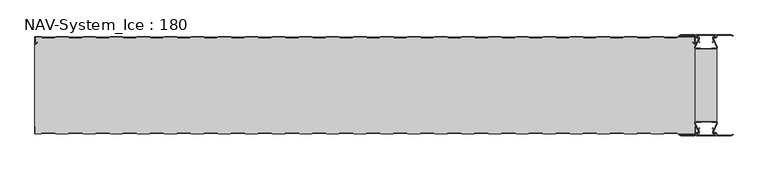
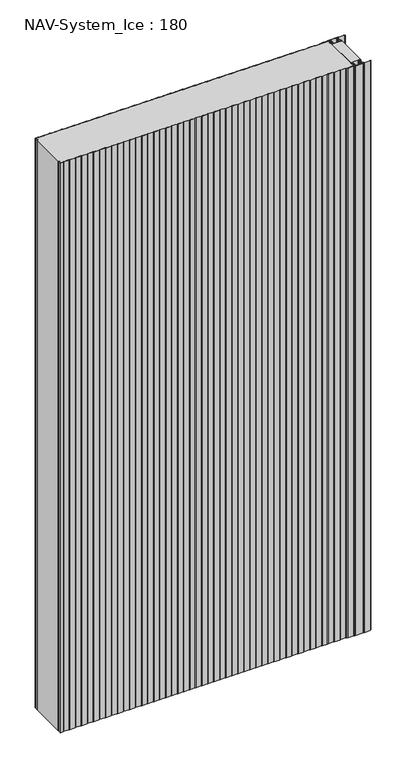
"""IFC4 building model written with IfcOpenShell, lengths in millimetres: plate geometry, NAV-System_Ice : 180."""

from ifc_helpers import new_model, si_unit, point, frame_2d, origin, origin_with_axes, place, context, project, spatial, polyline, circle_curve, trimmed, segment, composite_curve, outline, extrude, source, transform, mapped, element, save


def nav_system_ice_180_9da69aee(model_context):
    return source(origin(), model_context, "Body", "SweptSolid", [
        extrude(outline(polyline([(630.0, -156.9693935), (590.0, -156.9693935), (590.0, -23.0306065), (630.0, -23.0306065), (630.0, -156.9693935)])), origin_with_axes(), (0.0, 0.0, 1.0), 2500.0),
        extrude(outline(composite_curve([segment(trimmed(circle_curve(frame_2d((599.1138734, -171.8417863)), 3.357884), [point((596.1169606, -173.3563483))], [point((597.7243711, -168.7848813))], False, "CARTESIAN"), True, "CONTINUOUS"), segment(polyline([(597.7243711, -168.7848813), (598.0554135, -169.5131744)]), True, "CONTINUOUS"), segment(trimmed(circle_curve(frame_2d((599.1138734, -171.8417863)), 2.557884), [point((598.0554135, -169.5131744))], [point((596.8448746, -173.0226397))], True, "CARTESIAN"), True, "CONTINUOUS"), segment(polyline([(596.8448746, -173.0226397), (597.7376807, -175.2182139)]), True, "CONTINUOUS"), segment(trimmed(circle_curve(frame_2d((593.7962884, -176.3456266)), 4.0994674), [point((597.7376807, -175.2182139))], [point((593.7866434, -180.4450826))], False, "CARTESIAN"), True, "CONTINUOUS"), segment(polyline([(593.7866434, -180.4450826), (592.2194901, -180.4092333)]), True, "CONTINUOUS"), segment(trimmed(circle_curve(frame_2d((592.2592624, -181.3027113)), 0.8943628), [point((592.2194901, -180.4092333))], [point((592.2592624, -182.1970741))], True, "CARTESIAN"), True, "CONTINUOUS"), segment(polyline([(592.2592624, -182.1970741), (627.7407376, -182.1970741)]), True, "CONTINUOUS"), segment(trimmed(circle_curve(frame_2d((627.7407376, -181.3027113)), 0.8943628), [point((627.7407376, -182.1970741))], [point((627.7805099, -180.4092333))], True, "CARTESIAN"), True, "CONTINUOUS"), segment(polyline([(627.7805099, -180.4092333), (626.2133566, -180.4450826)]), True, "CONTINUOUS"), segment(trimmed(circle_curve(frame_2d((626.2037116, -176.3456266)), 4.0994674), [point((626.2133566, -180.4450826))], [point((622.2623193, -175.2182139))], False, "CARTESIAN"), True, "CONTINUOUS"), segment(polyline([(622.2623193, -175.2182139), (623.1551254, -173.0226397)]), True, "CONTINUOUS"), segment(trimmed(circle_curve(frame_2d((620.8861266, -171.8417863)), 2.557884), [point((623.1551254, -173.0226397))], [point((621.9445865, -169.5131744))], True, "CARTESIAN"), True, "CONTINUOUS"), segment(polyline([(621.9445865, -169.5131744), (622.2756289, -168.7848813)]), True, "CONTINUOUS"), segment(trimmed(circle_curve(frame_2d((620.8861266, -171.8417863)), 3.357884), [point((622.2756289, -168.7848813))], [point((623.8830394, -173.3563483))], False, "CARTESIAN"), True, "CONTINUOUS"), segment(polyline([(623.8830394, -173.3563483), (623.0205049, -175.4774793)]), True, "CONTINUOUS"), segment(trimmed(circle_curve(frame_2d((626.2037116, -176.3456266)), 3.2994674), [point((623.0205049, -175.4774793))], [point((626.2037116, -179.645094))], True, "CARTESIAN"), True, "CONTINUOUS"), segment(polyline([(626.2037116, -179.645094), (627.7848884, -179.6089239)]), True, "CONTINUOUS"), segment(trimmed(circle_curve(frame_2d((627.7407376, -181.3027113)), 1.6943628), [point((627.7848884, -179.6089239))], [point((627.7407423, -182.9970741))], False, "CARTESIAN"), True, "CONTINUOUS"), segment(polyline([(627.7407423, -182.9970741), (592.2592577, -182.9970741)]), True, "CONTINUOUS"), segment(trimmed(circle_curve(frame_2d((592.2592624, -181.3027113)), 1.6943628), [point((592.2592577, -182.9970741))], [point((592.2151116, -179.6089239))], False, "CARTESIAN"), True, "CONTINUOUS"), segment(polyline([(592.2151116, -179.6089239), (593.7962884, -179.645094)]), True, "CONTINUOUS"), segment(trimmed(circle_curve(frame_2d((593.7962884, -176.3456266)), 3.2994674), [point((593.7962884, -179.645094))], [point((596.9794951, -175.4774793))], True, "CARTESIAN"), True, "CONTINUOUS"), segment(polyline([(596.9794951, -175.4774793), (596.1169606, -173.3563483)]), True, "CONTINUOUS")], self_intersect=False)), origin_with_axes(), (0.0, 0.0, 1.0), 2500.0),
        extrude(outline(composite_curve([segment(polyline([(596.1169606, -6.6436517), (596.9794951, -4.5225207)]), True, "CONTINUOUS"), segment(trimmed(circle_curve(frame_2d((593.7962884, -3.6543734)), 3.2994674), [point((596.9794951, -4.5225207))], [point((593.7962884, -0.354906))], True, "CARTESIAN"), True, "CONTINUOUS"), segment(polyline([(593.7962884, -0.354906), (592.2151116, -0.3910761)]), True, "CONTINUOUS"), segment(trimmed(circle_curve(frame_2d((592.2592624, 1.3027113)), 1.6943628), [point((592.2151116, -0.3910761))], [point((592.2592577, 2.9970741))], False, "CARTESIAN"), True, "CONTINUOUS"), segment(polyline([(592.2592577, 2.9970741), (627.7407423, 2.9970741)]), True, "CONTINUOUS"), segment(trimmed(circle_curve(frame_2d((627.7407376, 1.3027113)), 1.6943628), [point((627.7407423, 2.9970741))], [point((627.7848884, -0.3910761))], False, "CARTESIAN"), True, "CONTINUOUS"), segment(polyline([(627.7848884, -0.3910761), (626.2037116, -0.354906)]), True, "CONTINUOUS"), segment(trimmed(circle_curve(frame_2d((626.2037116, -3.6543734)), 3.2994674), [point((626.2037116, -0.354906))], [point((623.0205049, -4.5225207))], True, "CARTESIAN"), True, "CONTINUOUS"), segment(polyline([(623.0205049, -4.5225207), (623.8830394, -6.6436517)]), True, "CONTINUOUS"), segment(trimmed(circle_curve(frame_2d((620.8861266, -8.1582137)), 3.357884), [point((623.8830394, -6.6436517))], [point((622.2756289, -11.2151187))], False, "CARTESIAN"), True, "CONTINUOUS"), segment(polyline([(622.2756289, -11.2151187), (621.9445865, -10.4868256)]), True, "CONTINUOUS"), segment(trimmed(circle_curve(frame_2d((620.8861266, -8.1582137)), 2.557884), [point((621.9445865, -10.4868256))], [point((623.1551254, -6.9773603))], True, "CARTESIAN"), True, "CONTINUOUS"), segment(polyline([(623.1551254, -6.9773603), (622.2623193, -4.7817861)]), True, "CONTINUOUS"), segment(trimmed(circle_curve(frame_2d((626.2037116, -3.6543734)), 4.0994674), [point((622.2623193, -4.7817861))], [point((626.2133566, 0.4450826))], False, "CARTESIAN"), True, "CONTINUOUS"), segment(polyline([(626.2133566, 0.4450826), (627.7805099, 0.4092333)]), True, "CONTINUOUS"), segment(trimmed(circle_curve(frame_2d((627.7407376, 1.3027113)), 0.8943628), [point((627.7805099, 0.4092333))], [point((627.7407376, 2.1970741))], True, "CARTESIAN"), True, "CONTINUOUS"), segment(polyline([(627.7407376, 2.1970741), (592.2592624, 2.1970741)]), True, "CONTINUOUS"), segment(trimmed(circle_curve(frame_2d((592.2592624, 1.3027113)), 0.8943628), [point((592.2592624, 2.1970741))], [point((592.2194901, 0.4092333))], True, "CARTESIAN"), True, "CONTINUOUS"), segment(polyline([(592.2194901, 0.4092333), (593.7866434, 0.4450826)]), True, "CONTINUOUS"), segment(trimmed(circle_curve(frame_2d((593.7962884, -3.6543734)), 4.0994674), [point((593.7866434, 0.4450826))], [point((597.7376807, -4.7817861))], False, "CARTESIAN"), True, "CONTINUOUS"), segment(polyline([(597.7376807, -4.7817861), (596.8448746, -6.9773603)]), True, "CONTINUOUS"), segment(trimmed(circle_curve(frame_2d((599.1138734, -8.1582137)), 2.557884), [point((596.8448746, -6.9773603))], [point((598.0554135, -10.4868256))], True, "CARTESIAN"), True, "CONTINUOUS"), segment(polyline([(598.0554135, -10.4868256), (597.7243711, -11.2151187)]), True, "CONTINUOUS"), segment(trimmed(circle_curve(frame_2d((599.1138734, -8.1582137)), 3.357884), [point((597.7243711, -11.2151187))], [point((596.1169606, -6.6436517))], False, "CARTESIAN"), True, "CONTINUOUS")], self_intersect=False)), origin_with_axes(), (0.0, 0.0, 1.0), 2500.0),
        extrude(outline(composite_curve([segment(trimmed(circle_curve(frame_2d((591.9446371, -159.7746821)), 1.80576), [point((591.9446371, -157.9689221))], [point((590.2170288, -160.300171))], True, "CARTESIAN"), True, "CONTINUOUS"), segment(polyline([(590.2170288, -160.300171), (596.4690067, -174.9459892)]), True, "CONTINUOUS"), segment(trimmed(circle_curve(frame_2d((593.7254406, -175.9868127)), 2.93436), [point((596.4690067, -174.9459892))], [point((593.7254406, -178.9211727))], False, "CARTESIAN"), True, "CONTINUOUS"), segment(polyline([(593.7254406, -178.9211727), (592.1347887, -178.9211727)]), True, "CONTINUOUS"), segment(trimmed(circle_curve(frame_2d((592.1347887, -180.5012127)), 1.58004), [point((592.1347887, -178.9211727))], [point((590.931072, -179.4776931))], True, "CARTESIAN"), True, "CONTINUOUS"), segment(polyline([(590.931072, -179.4776931), (589.0191946, -183.0112573), (562.9417977, -183.0112573), (560.0, -181.2043676), (560.523373, -180.3522639), (563.2243806, -182.0112573), (588.4232658, -182.0112573), (590.0952671, -178.9210361)]), True, "CONTINUOUS"), segment(trimmed(circle_curve(frame_2d((592.1347887, -180.5012127)), 2.58004), [point((590.0952671, -178.9210361))], [point((592.1347887, -177.9211727))], False, "CARTESIAN"), True, "CONTINUOUS"), segment(polyline([(592.1347887, -177.9211727), (593.7254406, -177.9211727)]), True, "CONTINUOUS"), segment(trimmed(circle_curve(frame_2d((593.7254406, -175.9868127)), 1.93436), [point((593.7254406, -177.9211727))], [point((595.5404425, -175.3178459))], True, "CARTESIAN"), True, "CONTINUOUS"), segment(polyline([(595.5404425, -175.3178459), (589.2784311, -160.6484726)]), True, "CONTINUOUS"), segment(trimmed(circle_curve(frame_2d((591.9446225, -159.7747413)), 2.8057055), [point((589.2784311, -160.6484726))], [point((591.9446225, -156.9690357))], False, "CARTESIAN"), True, "CONTINUOUS"), segment(polyline([(591.9446225, -156.9690357), (595.755568, -156.9690357)]), True, "CONTINUOUS"), segment(trimmed(circle_curve(frame_2d((595.7555679, -159.0975873)), 2.1285516), [point((595.755568, -156.9690357))], [point((597.1042828, -157.4508633))], False, "CARTESIAN"), True, "CONTINUOUS"), segment(trimmed(circle_curve(frame_2d((598.2552034, -156.0456377)), 1.8163913), [point((597.1042828, -157.4508633))], [point((599.4059468, -157.4510085))], True, "CARTESIAN"), True, "CONTINUOUS"), segment(trimmed(circle_curve(frame_2d((600.7543352, -159.0977575)), 2.128364), [point((599.4059468, -157.4510085))], [point((600.7543352, -156.9693935))], False, "CARTESIAN"), True, "CONTINUOUS"), segment(polyline([(600.7543352, -156.9693935), (619.2454674, -156.9693935)]), True, "CONTINUOUS"), segment(trimmed(circle_curve(frame_2d((619.2454674, -159.0977884)), 2.1283949), [point((619.2454674, -156.9693935))], [point((620.594293, -157.4513576))], False, "CARTESIAN"), True, "CONTINUOUS"), segment(trimmed(circle_curve(frame_2d((621.7456338, -156.0459847)), 1.8167715), [point((620.594293, -157.4513576))], [point((622.8963798, -157.4518446))], True, "CARTESIAN"), True, "CONTINUOUS"), segment(trimmed(circle_curve(frame_2d((624.244105, -159.0983528)), 2.1277576), [point((622.8963798, -157.4518446))], [point((624.244105, -156.9705952))], False, "CARTESIAN"), True, "CONTINUOUS"), segment(polyline([(624.244105, -156.9705952), (628.0535675, -156.9705952)]), True, "CONTINUOUS"), segment(trimmed(circle_curve(frame_2d((628.0535675, -159.7787791)), 2.8081839), [point((628.0535675, -156.9705952))], [point((630.7287795, -160.6326746))], False, "CARTESIAN"), True, "CONTINUOUS"), segment(polyline([(630.7287795, -160.6326746), (624.4595575, -175.3178459)]), True, "CONTINUOUS"), segment(trimmed(circle_curve(frame_2d((626.2745595, -175.9868127)), 1.93436), [point((624.4595575, -175.3178459))], [point((626.2745595, -177.9211727))], True, "CARTESIAN"), True, "CONTINUOUS"), segment(polyline([(626.2745595, -177.9211727), (627.8652113, -177.9211727)]), True, "CONTINUOUS"), segment(trimmed(circle_curve(frame_2d((627.8652113, -180.5012127)), 2.58004), [point((627.8652113, -177.9211727))], [point((629.9047329, -178.9210361))], False, "CARTESIAN"), True, "CONTINUOUS"), segment(polyline([(629.9047329, -178.9210361), (631.5767342, -182.0112573), (656.7756194, -182.0112573), (659.476627, -180.3522639), (660.0, -181.2043676), (657.0582024, -183.0112573), (630.9808054, -183.0112573), (629.068928, -179.4776931)]), True, "CONTINUOUS"), segment(trimmed(circle_curve(frame_2d((627.8652113, -180.5012127)), 1.58004), [point((629.068928, -179.4776931))], [point((627.8652113, -178.9211727))], True, "CARTESIAN"), True, "CONTINUOUS"), segment(polyline([(627.8652113, -178.9211727), (626.2745595, -178.9211727)]), True, "CONTINUOUS"), segment(trimmed(circle_curve(frame_2d((626.2745595, -175.9868127)), 2.93436), [point((626.2745595, -178.9211727))], [point((623.5309933, -174.9459892))], False, "CARTESIAN"), True, "CONTINUOUS"), segment(polyline([(623.5309933, -174.9459892), (629.7829713, -160.300171)]), True, "CONTINUOUS"), segment(trimmed(circle_curve(frame_2d((628.0553629, -159.7746822)), 1.80576), [point((629.7829713, -160.300171))], [point((628.0553629, -157.9689222))], True, "CARTESIAN"), True, "CONTINUOUS"), segment(polyline([(628.0553629, -157.9689222), (623.5184731, -157.9689222)]), True, "CONTINUOUS"), segment(trimmed(circle_curve(frame_2d((621.7449981, -156.0455076)), 2.6162449), [point((623.5184731, -157.9689222))], [point((619.7766029, -157.7689222))], False, "CARTESIAN"), True, "CONTINUOUS"), segment(polyline([(619.7766029, -157.7689222), (600.2233971, -157.7689222)]), True, "CONTINUOUS"), segment(trimmed(circle_curve(frame_2d((598.255002, -156.0455076)), 2.6162449), [point((600.2233971, -157.7689222))], [point((596.4815269, -157.9689221))], False, "CARTESIAN"), True, "CONTINUOUS"), segment(polyline([(596.4815269, -157.9689221), (591.9446371, -157.9689221)]), True, "CONTINUOUS")], self_intersect=False)), origin_with_axes(), (0.0, 0.0, 1.0), 2500.0),
        extrude(outline(composite_curve([segment(polyline([(591.9446371, -22.0310778), (596.4815269, -22.0310778)]), True, "CONTINUOUS"), segment(trimmed(circle_curve(frame_2d((598.2550019, -23.9544924)), 2.6162449), [point((596.4815269, -22.0310778))], [point((600.2233971, -22.2310778))], False, "CARTESIAN"), True, "CONTINUOUS"), segment(polyline([(600.2233971, -22.2310778), (619.7766029, -22.2310778)]), True, "CONTINUOUS"), segment(trimmed(circle_curve(frame_2d((621.7449981, -23.9544924)), 2.6162449), [point((619.7766029, -22.2310778))], [point((623.5184731, -22.0310778))], False, "CARTESIAN"), True, "CONTINUOUS"), segment(polyline([(623.5184731, -22.0310778), (628.0553629, -22.0310778)]), True, "CONTINUOUS"), segment(trimmed(circle_curve(frame_2d((628.0553629, -20.2253178)), 1.80576), [point((628.0553629, -22.0310778))], [point((629.7829712, -19.699829))], True, "CARTESIAN"), True, "CONTINUOUS"), segment(polyline([(629.7829712, -19.699829), (623.5309933, -5.0540108)]), True, "CONTINUOUS"), segment(trimmed(circle_curve(frame_2d((626.2745594, -4.0131873)), 2.93436), [point((623.5309933, -5.0540108))], [point((626.2745594, -1.0788273))], False, "CARTESIAN"), True, "CONTINUOUS"), segment(polyline([(626.2745594, -1.0788273), (627.8652113, -1.0788273)]), True, "CONTINUOUS"), segment(trimmed(circle_curve(frame_2d((627.8652113, 0.5012127)), 1.58004), [point((627.8652113, -1.0788273))], [point((629.068928, -0.5223069))], True, "CARTESIAN"), True, "CONTINUOUS"), segment(polyline([(629.068928, -0.5223069), (630.9808054, 3.0112573), (657.0582023, 3.0112573), (660.0, 1.2043676), (659.476627, 0.3522639), (656.7756194, 2.0112573), (631.5767342, 2.0112573), (629.9047329, -1.0789639)]), True, "CONTINUOUS"), segment(trimmed(circle_curve(frame_2d((627.8652113, 0.5012127)), 2.58004), [point((629.9047329, -1.0789639))], [point((627.8652113, -2.0788273))], False, "CARTESIAN"), True, "CONTINUOUS"), segment(polyline([(627.8652113, -2.0788273), (626.2745594, -2.0788273)]), True, "CONTINUOUS"), segment(trimmed(circle_curve(frame_2d((626.2745594, -4.0131873)), 1.93436), [point((626.2745594, -2.0788273))], [point((624.4595575, -4.6821541))], True, "CARTESIAN"), True, "CONTINUOUS"), segment(polyline([(624.4595575, -4.6821541), (630.7287795, -19.3673254)]), True, "CONTINUOUS"), segment(trimmed(circle_curve(frame_2d((628.0535675, -20.2212209)), 2.8081839), [point((630.7287795, -19.3673254))], [point((628.0535675, -23.0294048))], False, "CARTESIAN"), True, "CONTINUOUS"), segment(polyline([(628.0535675, -23.0294048), (624.244105, -23.0294048)]), True, "CONTINUOUS"), segment(trimmed(circle_curve(frame_2d((624.244105, -20.9016472)), 2.1277576), [point((624.244105, -23.0294048))], [point((622.8963798, -22.5481554))], False, "CARTESIAN"), True, "CONTINUOUS"), segment(trimmed(circle_curve(frame_2d((621.7456337, -23.9540153)), 1.8167716), [point((622.8963798, -22.5481554))], [point((620.5942929, -22.5486423))], True, "CARTESIAN"), True, "CONTINUOUS"), segment(trimmed(circle_curve(frame_2d((619.2454674, -20.9022116)), 2.1283949), [point((620.5942929, -22.5486423))], [point((619.2454674, -23.0306065))], False, "CARTESIAN"), True, "CONTINUOUS"), segment(polyline([(619.2454674, -23.0306065), (600.7543352, -23.0306065)]), True, "CONTINUOUS"), segment(trimmed(circle_curve(frame_2d((600.7543352, -20.9022425)), 2.128364), [point((600.7543352, -23.0306065))], [point((599.4059468, -22.5489915))], False, "CARTESIAN"), True, "CONTINUOUS"), segment(trimmed(circle_curve(frame_2d((598.2552034, -23.9543623)), 1.8163912), [point((599.4059468, -22.5489915))], [point((597.1042828, -22.5491367))], True, "CARTESIAN"), True, "CONTINUOUS"), segment(trimmed(circle_curve(frame_2d((595.7555679, -20.9024127)), 2.1285516), [point((597.1042828, -22.5491367))], [point((595.7555679, -23.0309643))], False, "CARTESIAN"), True, "CONTINUOUS"), segment(polyline([(595.7555679, -23.0309643), (591.9446225, -23.0309643)]), True, "CONTINUOUS"), segment(trimmed(circle_curve(frame_2d((591.9446225, -20.2252587)), 2.8057055), [point((591.9446225, -23.0309643))], [point((589.2784311, -19.3515274))], False, "CARTESIAN"), True, "CONTINUOUS"), segment(polyline([(589.2784311, -19.3515274), (595.5404425, -4.6821541)]), True, "CONTINUOUS"), segment(trimmed(circle_curve(frame_2d((593.7254406, -4.0131873)), 1.93436), [point((595.5404425, -4.6821541))], [point((593.7254406, -2.0788273))], True, "CARTESIAN"), True, "CONTINUOUS"), segment(polyline([(593.7254406, -2.0788273), (592.1347887, -2.0788273)]), True, "CONTINUOUS"), segment(trimmed(circle_curve(frame_2d((592.1347887, 0.5012127)), 2.58004), [point((592.1347887, -2.0788273))], [point((590.0952671, -1.0789639))], False, "CARTESIAN"), True, "CONTINUOUS"), segment(polyline([(590.0952671, -1.0789639), (588.4232658, 2.0112573), (563.2243806, 2.0112573), (560.523373, 0.3522639), (560.0, 1.2043676), (562.9417977, 3.0112573), (589.0191946, 3.0112573), (590.931072, -0.5223069)]), True, "CONTINUOUS"), segment(trimmed(circle_curve(frame_2d((592.1347887, 0.5012127)), 1.58004), [point((590.931072, -0.5223069))], [point((592.1347887, -1.0788273))], True, "CARTESIAN"), True, "CONTINUOUS"), segment(polyline([(592.1347887, -1.0788273), (593.7254406, -1.0788273)]), True, "CONTINUOUS"), segment(trimmed(circle_curve(frame_2d((593.7254406, -4.0131873)), 2.93436), [point((593.7254406, -1.0788273))], [point((596.4690067, -5.0540108))], False, "CARTESIAN"), True, "CONTINUOUS"), segment(polyline([(596.4690067, -5.0540108), (590.2170288, -19.699829)]), True, "CONTINUOUS"), segment(trimmed(circle_curve(frame_2d((591.9446371, -20.2253178)), 1.80576), [point((590.2170288, -19.699829))], [point((591.9446371, -22.0310778))], True, "CARTESIAN"), True, "CONTINUOUS")], self_intersect=False)), origin_with_axes(), (0.0, 0.0, 1.0), 2500.0),
        extrude(outline(composite_curve([segment(polyline([(559.1298221, -0.8), (556.1298221, -1.8), (533.8701779, -1.8), (530.8701779, -0.8), (509.1298221, -0.8), (506.1298221, -1.8), (483.8701779, -1.8), (480.8701779, -0.8), (459.1298221, -0.8), (456.1298221, -1.8), (433.8701779, -1.8), (430.8701779, -0.8), (409.1298221, -0.8), (406.1298221, -1.8), (383.8701779, -1.8), (380.8701779, -0.8), (359.1298221, -0.8), (356.1298221, -1.8), (333.8701779, -1.8), (330.8701779, -0.8), (309.1298221, -0.8), (306.1298221, -1.8), (283.8701779, -1.8), (280.8701779, -0.8), (259.1298221, -0.8), (256.1298221, -1.8), (233.8701779, -1.8), (230.8701779, -0.8), (209.1298221, -0.8), (206.1298221, -1.8), (183.8701779, -1.8), (180.8701779, -0.8), (159.1298221, -0.8), (156.1298221, -1.8), (133.8701779, -1.8), (130.8701779, -0.8), (109.1298221, -0.8), (106.1298221, -1.8), (83.8701779, -1.8), (80.8701779, -0.8), (59.1298221, -0.8), (56.1298221, -1.8), (33.8701779, -1.8), (30.8701779, -0.8), (9.1298221, -0.8), (6.1298221, -1.8), (-16.1298221, -1.8), (-19.1298221, -0.8), (-40.8701779, -0.8), (-43.8701779, -1.8), (-66.1298221, -1.8), (-69.1298221, -0.8), (-90.8701779, -0.8), (-93.8701779, -1.8), (-116.1298221, -1.8), (-119.1298221, -0.8), (-140.8701779, -0.8), (-143.8701779, -1.8), (-166.1298221, -1.8), (-169.1298221, -0.8), (-190.8701779, -0.8), (-193.8701779, -1.8), (-216.1298221, -1.8), (-219.1298221, -0.8), (-240.8701779, -0.8), (-243.8701779, -1.8), (-266.1298221, -1.8), (-269.1298221, -0.8), (-290.8701779, -0.8), (-293.8701779, -1.8), (-316.1298221, -1.8), (-319.1298221, -0.8), (-340.8701779, -0.8), (-343.8701779, -1.8), (-366.1298221, -1.8), (-369.1298221, -0.8), (-390.8701779, -0.8), (-393.8701779, -1.8), (-416.1298221, -1.8), (-419.1298221, -0.8), (-440.8701779, -0.8), (-443.8701779, -1.8), (-466.1298221, -1.8), (-469.1298221, -0.8), (-490.8701779, -0.8), (-493.8701779, -1.8), (-516.1298221, -1.8), (-519.1298221, -0.8), (-540.8701779, -0.8), (-543.8701779, -1.8), (-566.1298221, -1.8), (-569.1298221, -0.8), (-590.8701779, -0.8), (-593.8701779, -1.8), (-616.1298221, -1.8), (-619.1298221, -0.8), (-628.7, -0.8)]), True, "CONTINUOUS"), segment(trimmed(circle_curve(frame_2d((-628.7, -1.3)), 0.5), [point((-628.7, -0.8))], [point((-629.2, -1.3))], True, "CARTESIAN"), True, "CONTINUOUS"), segment(polyline([(-629.2, -1.3), (-629.2, -12.5857864)]), True, "CONTINUOUS"), segment(trimmed(circle_curve(frame_2d((-628.7, -12.5857864)), 0.5), [point((-629.2, -12.5857864))], [point((-628.3464466, -12.9393398))], True, "CARTESIAN"), True, "CONTINUOUS"), segment(polyline([(-628.3464466, -12.9393398), (-625.9205321, -10.5134253), (-625.3548467, -11.0791108), (-627.7807612, -13.5050253)]), True, "CONTINUOUS"), segment(trimmed(circle_curve(frame_2d((-628.7, -12.5857864)), 1.3), [point((-627.7807612, -13.5050253))], [point((-630.0, -12.5857864))], False, "CARTESIAN"), True, "CONTINUOUS"), segment(polyline([(-630.0, -12.5857864), (-630.0, -1.3)]), True, "CONTINUOUS"), segment(trimmed(circle_curve(frame_2d((-628.7, -1.3)), 1.3), [point((-630.0, -1.3))], [point((-628.7, 0.0))], False, "CARTESIAN"), True, "CONTINUOUS"), segment(polyline([(-628.7, 0.0), (-619.0, 0.0), (-616.0, -1.0), (-594.0, -1.0), (-591.0, 0.0), (-569.0, 0.0), (-566.0, -1.0), (-544.0, -1.0), (-541.0, 0.0), (-519.0, 0.0), (-516.0, -1.0), (-494.0, -1.0), (-491.0, 0.0), (-469.0, 0.0), (-466.0, -1.0), (-444.0, -1.0), (-441.0, 0.0), (-419.0, 0.0), (-416.0, -1.0), (-394.0, -1.0), (-391.0, 0.0), (-369.0, 0.0), (-366.0, -1.0), (-344.0, -1.0), (-341.0, 0.0), (-319.0, 0.0), (-316.0, -1.0), (-294.0, -1.0), (-291.0, 0.0), (-269.0, 0.0), (-266.0, -1.0), (-244.0, -1.0), (-241.0, 0.0), (-219.0, 0.0), (-216.0, -1.0), (-194.0, -1.0), (-191.0, 0.0), (-169.0, 0.0), (-166.0, -1.0), (-144.0, -1.0), (-141.0, 0.0), (-119.0, 0.0), (-116.0, -1.0), (-94.0, -1.0), (-91.0, 0.0), (-69.0, 0.0), (-66.0, -1.0), (-44.0, -1.0), (-41.0, 0.0), (-19.0, 0.0), (-16.0, -1.0), (6.0, -1.0), (9.0, 0.0), (31.0, 0.0), (34.0, -1.0), (56.0, -1.0), (59.0, 0.0), (81.0, 0.0), (84.0, -1.0), (106.0, -1.0), (109.0, 0.0), (131.0, 0.0), (134.0, -1.0), (156.0, -1.0), (159.0, 0.0), (181.0, 0.0), (184.0, -1.0), (206.0, -1.0), (209.0, 0.0), (231.0, 0.0), (234.0, -1.0), (256.0, -1.0), (259.0, 0.0), (281.0, 0.0), (284.0, -1.0), (306.0, -1.0), (309.0, 0.0), (331.0, 0.0), (334.0, -1.0), (356.0, -1.0), (359.0, 0.0), (381.0, 0.0), (384.0, -1.0), (406.0, -1.0), (409.0, 0.0), (431.0, 0.0), (434.0, -1.0), (456.0, -1.0), (459.0, 0.0), (481.0, 0.0), (484.0, -1.0), (506.0, -1.0), (509.0, 0.0), (531.0, 0.0), (534.0, -1.0), (556.0, -1.0), (559.0, 0.0), (588.7, 0.0)]), True, "CONTINUOUS"), segment(trimmed(circle_curve(frame_2d((588.7, -1.3)), 1.3), [point((588.7, 0.0))], [point((590.0, -1.3))], False, "CARTESIAN"), True, "CONTINUOUS"), segment(polyline([(590.0, -1.3), (590.0, -12.5857864)]), True, "CONTINUOUS"), segment(trimmed(circle_curve(frame_2d((588.7, -12.5857864)), 1.3), [point((590.0, -12.5857864))], [point((587.7807612, -13.5050253))], False, "CARTESIAN"), True, "CONTINUOUS"), segment(polyline([(587.7807612, -13.5050253), (585.3548467, -11.0791108), (585.9205321, -10.5134253), (588.3464466, -12.9393398)]), True, "CONTINUOUS"), segment(trimmed(circle_curve(frame_2d((588.7, -12.5857864)), 0.5), [point((588.3464466, -12.9393398))], [point((589.2, -12.5857864))], True, "CARTESIAN"), True, "CONTINUOUS"), segment(polyline([(589.2, -12.5857864), (589.2, -1.3)]), True, "CONTINUOUS"), segment(trimmed(circle_curve(frame_2d((588.7, -1.3)), 0.5), [point((589.2, -1.3))], [point((588.7, -0.8))], True, "CARTESIAN"), True, "CONTINUOUS"), segment(polyline([(588.7, -0.8), (559.1298221, -0.8)]), True, "CONTINUOUS")], self_intersect=False)), origin_with_axes(), (0.0, 0.0, 1.0), 2500.0),
        extrude(outline(composite_curve([segment(polyline([(559.1298221, -0.8), (588.7, -0.8)]), True, "CONTINUOUS"), segment(trimmed(circle_curve(frame_2d((588.7, -1.3)), 0.5), [point((588.7, -0.8))], [point((589.2, -1.3))], False, "CARTESIAN"), True, "CONTINUOUS"), segment(polyline([(589.2, -1.3), (589.2, -12.5857864)]), True, "CONTINUOUS"), segment(trimmed(circle_curve(frame_2d((588.7, -12.5857864)), 0.5), [point((589.2, -12.5857864))], [point((588.3464466, -12.9393398))], False, "CARTESIAN"), True, "CONTINUOUS"), segment(polyline([(588.3464466, -12.9393398), (585.9205321, -10.5134253), (585.3548467, -11.0791108), (587.7807612, -13.5050253)]), True, "CONTINUOUS"), segment(trimmed(circle_curve(frame_2d((588.7, -12.5857864)), 1.3), [point((587.7807612, -13.5050253))], [point((588.7, -13.8857864))], True, "CARTESIAN"), True, "CONTINUOUS"), segment(polyline([(588.7, -13.8857864), (590.0, -13.8857864), (590.0, -166.1142136), (588.7, -166.1142136)]), True, "CONTINUOUS"), segment(trimmed(circle_curve(frame_2d((588.7, -167.4142136)), 1.3), [point((588.7, -166.1142136))], [point((587.7807612, -166.4949747))], True, "CARTESIAN"), True, "CONTINUOUS"), segment(polyline([(587.7807612, -166.4949747), (585.3548467, -168.9208892), (585.9205321, -169.4865747), (588.3464466, -167.0606602)]), True, "CONTINUOUS"), segment(trimmed(circle_curve(frame_2d((588.7, -167.4142136)), 0.5), [point((588.3464466, -167.0606602))], [point((589.2, -167.4142136))], False, "CARTESIAN"), True, "CONTINUOUS"), segment(polyline([(589.2, -167.4142136), (589.2, -178.7)]), True, "CONTINUOUS"), segment(trimmed(circle_curve(frame_2d((588.7, -178.7)), 0.5), [point((589.2, -178.7))], [point((588.7, -179.2))], False, "CARTESIAN"), True, "CONTINUOUS"), segment(polyline([(588.7, -179.2), (559.1298221, -179.2), (556.1298221, -178.2), (533.8701779, -178.2), (530.8701779, -179.2), (509.1298221, -179.2), (506.1298221, -178.2), (483.8701779, -178.2), (480.8701779, -179.2), (459.1298221, -179.2), (456.1298221, -178.2), (433.8701779, -178.2), (430.8701779, -179.2), (409.1298221, -179.2), (406.1298221, -178.2), (383.8701779, -178.2), (380.8701779, -179.2), (359.1298221, -179.2), (356.1298221, -178.2), (333.8701779, -178.2), (330.8701779, -179.2), (309.1298221, -179.2), (306.1298221, -178.2), (283.8701779, -178.2), (280.8701779, -179.2), (259.1298221, -179.2), (256.1298221, -178.2), (233.8701779, -178.2), (230.8701779, -179.2), (209.1298221, -179.2), (206.1298221, -178.2), (183.8701779, -178.2), (180.8701779, -179.2), (159.1298221, -179.2), (156.1298221, -178.2), (133.8701779, -178.2), (130.8701779, -179.2), (109.1298221, -179.2), (106.1298221, -178.2), (83.8701779, -178.2), (80.8701779, -179.2), (59.1298221, -179.2), (56.1298221, -178.2), (33.8701779, -178.2), (30.8701779, -179.2), (9.1298221, -179.2), (6.1298221, -178.2), (-16.1298221, -178.2), (-19.1298221, -179.2), (-40.8701779, -179.2), (-43.8701779, -178.2), (-66.1298221, -178.2), (-69.1298221, -179.2), (-90.8701779, -179.2), (-93.8701779, -178.2), (-116.1298221, -178.2), (-119.1298221, -179.2), (-140.8701779, -179.2), (-143.8701779, -178.2), (-166.1298221, -178.2), (-169.1298221, -179.2), (-190.8701779, -179.2), (-193.8701779, -178.2), (-216.1298221, -178.2), (-219.1298221, -179.2), (-240.8701779, -179.2), (-243.8701779, -178.2), (-266.1298221, -178.2), (-269.1298221, -179.2), (-290.8701779, -179.2), (-293.8701779, -178.2), (-316.1298221, -178.2), (-319.1298221, -179.2), (-340.8701779, -179.2), (-343.8701779, -178.2), (-366.1298221, -178.2), (-369.1298221, -179.2), (-390.8701779, -179.2), (-393.8701779, -178.2), (-416.1298221, -178.2), (-419.1298221, -179.2), (-440.8701779, -179.2), (-443.8701779, -178.2), (-466.1298221, -178.2), (-469.1298221, -179.2), (-490.8701779, -179.2), (-493.8701779, -178.2), (-516.1298221, -178.2), (-519.1298221, -179.2), (-540.8701779, -179.2), (-543.8701779, -178.2), (-566.1298221, -178.2), (-569.1298221, -179.2), (-590.8701779, -179.2), (-593.8701779, -178.2), (-616.1298221, -178.2), (-619.1298221, -179.2), (-628.7, -179.2)]), True, "CONTINUOUS"), segment(trimmed(circle_curve(frame_2d((-628.7, -178.7)), 0.5), [point((-628.7, -179.2))], [point((-629.2, -178.7))], False, "CARTESIAN"), True, "CONTINUOUS"), segment(polyline([(-629.2, -178.7), (-629.2, -167.4142136)]), True, "CONTINUOUS"), segment(trimmed(circle_curve(frame_2d((-628.7, -167.4142136)), 0.5), [point((-629.2, -167.4142136))], [point((-628.3464466, -167.0606602))], False, "CARTESIAN"), True, "CONTINUOUS"), segment(polyline([(-628.3464466, -167.0606602), (-625.9205321, -169.4865747), (-625.3548467, -168.9208892), (-627.7807612, -166.4949747)]), True, "CONTINUOUS"), segment(trimmed(circle_curve(frame_2d((-628.7, -167.4142136)), 1.3), [point((-627.7807612, -166.4949747))], [point((-628.7, -166.1142136))], True, "CARTESIAN"), True, "CONTINUOUS"), segment(polyline([(-628.7, -166.1142136), (-630.0, -166.1142136), (-630.0, -13.8857864), (-628.7, -13.8857864)]), True, "CONTINUOUS"), segment(trimmed(circle_curve(frame_2d((-628.7, -12.5857864)), 1.3), [point((-628.7, -13.8857864))], [point((-627.7807612, -13.5050253))], True, "CARTESIAN"), True, "CONTINUOUS"), segment(polyline([(-627.7807612, -13.5050253), (-625.3548467, -11.0791108), (-625.9205321, -10.5134253), (-628.3464466, -12.9393398)]), True, "CONTINUOUS"), segment(trimmed(circle_curve(frame_2d((-628.7, -12.5857864)), 0.5), [point((-628.3464466, -12.9393398))], [point((-629.2, -12.5857864))], False, "CARTESIAN"), True, "CONTINUOUS"), segment(polyline([(-629.2, -12.5857864), (-629.2, -1.3)]), True, "CONTINUOUS"), segment(trimmed(circle_curve(frame_2d((-628.7, -1.3)), 0.5), [point((-629.2, -1.3))], [point((-628.7, -0.8))], False, "CARTESIAN"), True, "CONTINUOUS"), segment(polyline([(-628.7, -0.8), (-619.1298221, -0.8), (-616.1298221, -1.8), (-593.8701779, -1.8), (-590.8701779, -0.8), (-569.1298221, -0.8), (-566.1298221, -1.8), (-543.8701779, -1.8), (-540.8701779, -0.8), (-519.1298221, -0.8), (-516.1298221, -1.8), (-493.8701779, -1.8), (-490.8701779, -0.8), (-469.1298221, -0.8), (-466.1298221, -1.8), (-443.8701779, -1.8), (-440.8701779, -0.8), (-419.1298221, -0.8), (-416.1298221, -1.8), (-393.8701779, -1.8), (-390.8701779, -0.8), (-369.1298221, -0.8), (-366.1298221, -1.8), (-343.8701779, -1.8), (-340.8701779, -0.8), (-319.1298221, -0.8), (-316.1298221, -1.8), (-293.8701779, -1.8), (-290.8701779, -0.8), (-269.1298221, -0.8), (-266.1298221, -1.8), (-243.8701779, -1.8), (-240.8701779, -0.8), (-219.1298221, -0.8), (-216.1298221, -1.8), (-193.8701779, -1.8), (-190.8701779, -0.8), (-169.1298221, -0.8), (-166.1298221, -1.8), (-143.8701779, -1.8), (-140.8701779, -0.8), (-119.1298221, -0.8), (-116.1298221, -1.8), (-93.8701779, -1.8), (-90.8701779, -0.8), (-69.1298221, -0.8), (-66.1298221, -1.8), (-43.8701779, -1.8), (-40.8701779, -0.8), (-19.1298221, -0.8), (-16.1298221, -1.8), (6.1298221, -1.8), (9.1298221, -0.8), (30.8701779, -0.8), (33.8701779, -1.8), (56.1298221, -1.8), (59.1298221, -0.8), (80.8701779, -0.8), (83.8701779, -1.8), (106.1298221, -1.8), (109.1298221, -0.8), (130.8701779, -0.8), (133.8701779, -1.8), (156.1298221, -1.8), (159.1298221, -0.8), (180.8701779, -0.8), (183.8701779, -1.8), (206.1298221, -1.8), (209.1298221, -0.8), (230.8701779, -0.8), (233.8701779, -1.8), (256.1298221, -1.8), (259.1298221, -0.8), (280.8701779, -0.8), (283.8701779, -1.8), (306.1298221, -1.8), (309.1298221, -0.8), (330.8701779, -0.8), (333.8701779, -1.8), (356.1298221, -1.8), (359.1298221, -0.8), (380.8701779, -0.8), (383.8701779, -1.8), (406.1298221, -1.8), (409.1298221, -0.8), (430.8701779, -0.8), (433.8701779, -1.8), (456.1298221, -1.8), (459.1298221, -0.8), (480.8701779, -0.8), (483.8701779, -1.8), (506.1298221, -1.8), (509.1298221, -0.8), (530.8701779, -0.8), (533.8701779, -1.8), (556.1298221, -1.8), (559.1298221, -0.8)]), True, "CONTINUOUS")], self_intersect=False)), origin_with_axes(), (0.0, 0.0, 1.0), 2500.0),
        extrude(outline(composite_curve([segment(polyline([(559.1298221, -179.2), (588.7, -179.2)]), True, "CONTINUOUS"), segment(trimmed(circle_curve(frame_2d((588.7, -178.7)), 0.5), [point((588.7, -179.2))], [point((589.2, -178.7))], True, "CARTESIAN"), True, "CONTINUOUS"), segment(polyline([(589.2, -178.7), (589.2, -167.4142136)]), True, "CONTINUOUS"), segment(trimmed(circle_curve(frame_2d((588.7, -167.4142136)), 0.5), [point((589.2, -167.4142136))], [point((588.3464466, -167.0606602))], True, "CARTESIAN"), True, "CONTINUOUS"), segment(polyline([(588.3464466, -167.0606602), (585.9205321, -169.4865747), (585.3548467, -168.9208892), (587.7807612, -166.4949747)]), True, "CONTINUOUS"), segment(trimmed(circle_curve(frame_2d((588.7, -167.4142136)), 1.3), [point((587.7807612, -166.4949747))], [point((590.0, -167.4142136))], False, "CARTESIAN"), True, "CONTINUOUS"), segment(polyline([(590.0, -167.4142136), (590.0, -178.7)]), True, "CONTINUOUS"), segment(trimmed(circle_curve(frame_2d((588.7, -178.7)), 1.3), [point((590.0, -178.7))], [point((588.7, -180.0))], False, "CARTESIAN"), True, "CONTINUOUS"), segment(polyline([(588.7, -180.0), (559.0, -180.0), (556.0, -179.0), (534.0, -179.0), (531.0, -180.0), (509.0, -180.0), (506.0, -179.0), (484.0, -179.0), (481.0, -180.0), (459.0, -180.0), (456.0, -179.0), (434.0, -179.0), (431.0, -180.0), (409.0, -180.0), (406.0, -179.0), (384.0, -179.0), (381.0, -180.0), (359.0, -180.0), (356.0, -179.0), (334.0, -179.0), (331.0, -180.0), (309.0, -180.0), (306.0, -179.0), (284.0, -179.0), (281.0, -180.0), (259.0, -180.0), (256.0, -179.0), (234.0, -179.0), (231.0, -180.0), (209.0, -180.0), (206.0, -179.0), (184.0, -179.0), (181.0, -180.0), (159.0, -180.0), (156.0, -179.0), (134.0, -179.0), (131.0, -180.0), (109.0, -180.0), (106.0, -179.0), (84.0, -179.0), (81.0, -180.0), (59.0, -180.0), (56.0, -179.0), (34.0, -179.0), (31.0, -180.0), (9.0, -180.0), (6.0, -179.0), (-16.0, -179.0), (-19.0, -180.0), (-41.0, -180.0), (-44.0, -179.0), (-66.0, -179.0), (-69.0, -180.0), (-91.0, -180.0), (-94.0, -179.0), (-116.0, -179.0), (-119.0, -180.0), (-141.0, -180.0), (-144.0, -179.0), (-166.0, -179.0), (-169.0, -180.0), (-191.0, -180.0), (-194.0, -179.0), (-216.0, -179.0), (-219.0, -180.0), (-241.0, -180.0), (-244.0, -179.0), (-266.0, -179.0), (-269.0, -180.0), (-291.0, -180.0), (-294.0, -179.0), (-316.0, -179.0), (-319.0, -180.0), (-341.0, -180.0), (-344.0, -179.0), (-366.0, -179.0), (-369.0, -180.0), (-391.0, -180.0), (-394.0, -179.0), (-416.0, -179.0), (-419.0, -180.0), (-441.0, -180.0), (-444.0, -179.0), (-466.0, -179.0), (-469.0, -180.0), (-491.0, -180.0), (-494.0, -179.0), (-516.0, -179.0), (-519.0, -180.0), (-541.0, -180.0), (-544.0, -179.0), (-566.0, -179.0), (-569.0, -180.0), (-591.0, -180.0), (-594.0, -179.0), (-616.0, -179.0), (-619.0, -180.0), (-628.7, -180.0)]), True, "CONTINUOUS"), segment(trimmed(circle_curve(frame_2d((-628.7, -178.7)), 1.3), [point((-628.7, -180.0))], [point((-630.0, -178.7))], False, "CARTESIAN"), True, "CONTINUOUS"), segment(polyline([(-630.0, -178.7), (-630.0, -167.4142136)]), True, "CONTINUOUS"), segment(trimmed(circle_curve(frame_2d((-628.7, -167.4142136)), 1.3), [point((-630.0, -167.4142136))], [point((-627.7807612, -166.4949747))], False, "CARTESIAN"), True, "CONTINUOUS"), segment(polyline([(-627.7807612, -166.4949747), (-625.3548467, -168.9208892), (-625.9205321, -169.4865747), (-628.3464466, -167.0606602)]), True, "CONTINUOUS"), segment(trimmed(circle_curve(frame_2d((-628.7, -167.4142136)), 0.5), [point((-628.3464466, -167.0606602))], [point((-629.2, -167.4142136))], True, "CARTESIAN"), True, "CONTINUOUS"), segment(polyline([(-629.2, -167.4142136), (-629.2, -178.7)]), True, "CONTINUOUS"), segment(trimmed(circle_curve(frame_2d((-628.7, -178.7)), 0.5), [point((-629.2, -178.7))], [point((-628.7, -179.2))], True, "CARTESIAN"), True, "CONTINUOUS"), segment(polyline([(-628.7, -179.2), (-619.1298221, -179.2), (-616.1298221, -178.2), (-593.8701779, -178.2), (-590.8701779, -179.2), (-569.1298221, -179.2), (-566.1298221, -178.2), (-543.8701779, -178.2), (-540.8701779, -179.2), (-519.1298221, -179.2), (-516.1298221, -178.2), (-493.8701779, -178.2), (-490.8701779, -179.2), (-469.1298221, -179.2), (-466.1298221, -178.2), (-443.8701779, -178.2), (-440.8701779, -179.2), (-419.1298221, -179.2), (-416.1298221, -178.2), (-393.8701779, -178.2), (-390.8701779, -179.2), (-369.1298221, -179.2), (-366.1298221, -178.2), (-343.8701779, -178.2), (-340.8701779, -179.2), (-319.1298221, -179.2), (-316.1298221, -178.2), (-293.8701779, -178.2), (-290.8701779, -179.2), (-269.1298221, -179.2), (-266.1298221, -178.2), (-243.8701779, -178.2), (-240.8701779, -179.2), (-219.1298221, -179.2), (-216.1298221, -178.2), (-193.8701779, -178.2), (-190.8701779, -179.2), (-169.1298221, -179.2), (-166.1298221, -178.2), (-143.8701779, -178.2), (-140.8701779, -179.2), (-119.1298221, -179.2), (-116.1298221, -178.2), (-93.8701779, -178.2), (-90.8701779, -179.2), (-69.1298221, -179.2), (-66.1298221, -178.2), (-43.8701779, -178.2), (-40.8701779, -179.2), (-19.1298221, -179.2), (-16.1298221, -178.2), (6.1298221, -178.2), (9.1298221, -179.2), (30.8701779, -179.2), (33.8701779, -178.2), (56.1298221, -178.2), (59.1298221, -179.2), (80.8701779, -179.2), (83.8701779, -178.2), (106.1298221, -178.2), (109.1298221, -179.2), (130.8701779, -179.2), (133.8701779, -178.2), (156.1298221, -178.2), (159.1298221, -179.2), (180.8701779, -179.2), (183.8701779, -178.2), (206.1298221, -178.2), (209.1298221, -179.2), (230.8701779, -179.2), (233.8701779, -178.2), (256.1298221, -178.2), (259.1298221, -179.2), (280.8701779, -179.2), (283.8701779, -178.2), (306.1298221, -178.2), (309.1298221, -179.2), (330.8701779, -179.2), (333.8701779, -178.2), (356.1298221, -178.2), (359.1298221, -179.2), (380.8701779, -179.2), (383.8701779, -178.2), (406.1298221, -178.2), (409.1298221, -179.2), (430.8701779, -179.2), (433.8701779, -178.2), (456.1298221, -178.2), (459.1298221, -179.2), (480.8701779, -179.2), (483.8701779, -178.2), (506.1298221, -178.2), (509.1298221, -179.2), (530.8701779, -179.2), (533.8701779, -178.2), (556.1298221, -178.2), (559.1298221, -179.2)]), True, "CONTINUOUS")], self_intersect=False)), origin_with_axes(), (0.0, 0.0, 1.0), 2500.0),
    ])


if __name__ == "__main__":
    model = new_model("IFC4")
    model_context = context("Model", 3, world=origin())
    ifc_project = project(units=[si_unit("LENGTHUNIT", "METRE", prefix="MILLI")], contexts=[model_context])
    site = spatial("IfcSite", under=ifc_project)
    building = spatial("IfcBuilding", under=site)
    placement = place(None, origin())
    nav_system_ice_180_shape = nav_system_ice_180_9da69aee(model_context)
    element("IfcPlate", 1, ObjectType="NAV-System_Ice : 180", at=placement, inside=building, context=model_context, shape_type="MappedRepresentation", body=[
        mapped(nav_system_ice_180_shape, transform((0.0, 0.0, 0.0), x_axis=(1.0, 0.0, 0.0), y_axis=(0.0, 1.0, 0.0), z_axis=(0.0, 0.0, 1.0))),
    ])
    save(model, "model.ifc")
